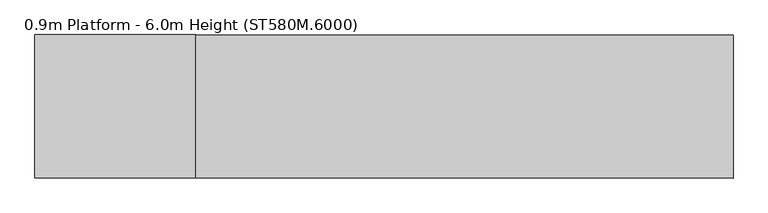
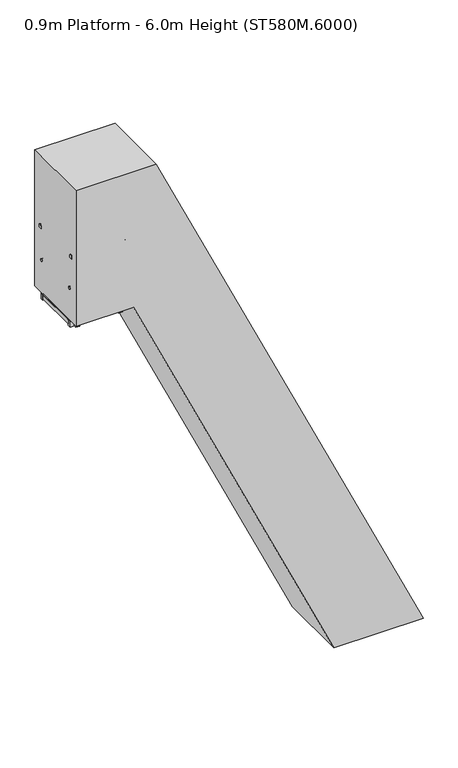
"""IFC4 building model written with IfcOpenShell, lengths in millimetres: proxy geometry, 0.9m Platform - 6.0m Height (ST580M.6000)."""

from ifc_helpers import new_model, si_unit, point, frame, frame_2d, origin, origin_with_axes, place, context, project, spatial, polyline, circle_curve, ellipse_curve, trimmed, segment, composite_curve, outline, extrude, source, transform, mapped, element, save
from ifc_brep_helpers import plane_surface, cylinder_surface, advanced_brep


def proxy_0_9m_platform_6_0m_height_st580m_6000_f54bcfcd(model_context):
    return source(origin(), model_context, "Body", "SolidModel", [
        extrude(outline(polyline([(250.0, 2277.2962564), (170.0, 2314.600864), (170.0, 2424.9386611), (250.0, 2387.6340485), (250.0, 2277.2962564)])), frame((0.0, 298.5, 0.0), z_axis=(0.0, 1.0, 0.0), x_axis=(0.0, 0.0, 1.0)), (0.0, 0.0, 1.0), 6.0),
        extrude(outline(polyline([(250.0, 2277.2962564), (170.0, 2314.600864), (170.0, 2424.9386611), (250.0, 2387.6340485), (250.0, 2277.2962564)])), frame((0.0, -304.5, 0.0), z_axis=(0.0, 1.0, 0.0), x_axis=(0.0, 0.0, 1.0)), (0.0, 0.0, 1.0), 6.0),
        extrude(outline(polyline([(250.0, 2284.4682127), (212.0999991, 2302.141271), (212.0999991, 2304.3480268), (247.0, 2288.0738913), (247.0, 2386.8262156), (212.0999991, 2403.1003533), (212.0999991, 2405.3071091), (250.0, 2387.6340485), (250.0, 2367.2063073), (249.2749538, 2366.8682127), (250.0, 2366.5301182), (250.0, 2346.6063073), (249.2749538, 2346.2682127), (250.0, 2345.9301182), (250.0, 2326.0063073), (249.2749538, 2325.6682127), (250.0, 2325.3301182), (250.0, 2305.4063073), (249.2749538, 2305.0682127), (250.0, 2304.7301182), (250.0, 2284.4682127)])), frame((0.0, -298.5, 0.0), z_axis=(0.0, 1.0, 0.0), x_axis=(0.0, 0.0, 1.0)), (0.0, 0.0, 1.0), 597.0),
        extrude(outline(polyline([(-396.8328319, -304.5), (-434.8328319, -304.5), (-434.8328319, 304.5), (-396.8328319, 304.5), (-396.8328319, -304.5)])), frame((0.0, 0.0, 5901.0), z_axis=(0.0, 0.0, 1.0), x_axis=(1.0, 0.0, 0.0)), (0.0, 0.0, 1.0), 80.0),
        extrude(outline(polyline([(-1256.8328319, -304.5), (-1294.8328319, -304.5), (-1294.8328319, 304.5), (-1256.8328319, 304.5), (-1256.8328319, -304.5)])), frame((0.0, 0.0, 5923.0), z_axis=(0.0, 0.0, 1.0), x_axis=(1.0, 0.0, 0.0)), (0.0, 0.0, 1.0), 58.0),
        extrude(outline(polyline([(-826.8328319, -304.5), (-864.8328319, -304.5), (-864.8328319, 304.5), (-826.8328319, 304.5), (-826.8328319, -304.5)])), frame((0.0, 0.0, 5923.0), z_axis=(0.0, 0.0, 1.0), x_axis=(1.0, 0.0, 0.0)), (0.0, 0.0, 1.0), 58.0),
        extrude(outline(composite_curve([segment(polyline([(353.0, 6478.0), (353.0, 6468.0)]), True, "CONTINUOUS"), segment(trimmed(circle_curve(frame_2d((338.0, 6468.0)), 15.0), [point((353.0, 6468.0))], [point((323.0, 6468.0))], False, "CARTESIAN"), True, "CONTINUOUS"), segment(polyline([(323.0, 6468.0), (323.0, 6478.0)]), True, "CONTINUOUS"), segment(trimmed(circle_curve(frame_2d((338.0, 6478.0)), 15.0), [point((323.0, 6478.0))], [point((353.0, 6478.0))], False, "CARTESIAN"), True, "CONTINUOUS")], self_intersect=False)), frame((-1296.8328319, 0.0, 0.0), z_axis=(1.0, 0.0, 0.0), x_axis=(0.0, 1.0, 0.0)), (0.0, 0.0, 1.0), 885.0),
        extrude(outline(composite_curve([segment(trimmed(circle_curve(frame_2d((-338.0, 6478.0)), 15.0), [point((-353.0, 6478.0))], [point((-323.0, 6478.0))], False, "CARTESIAN"), True, "CONTINUOUS"), segment(polyline([(-323.0, 6478.0), (-323.0, 6468.0)]), True, "CONTINUOUS"), segment(trimmed(circle_curve(frame_2d((-338.0, 6468.0)), 15.0), [point((-323.0, 6468.0))], [point((-353.0, 6468.0))], False, "CARTESIAN"), True, "CONTINUOUS"), segment(polyline([(-353.0, 6468.0), (-353.0, 6478.0)]), True, "CONTINUOUS")], self_intersect=False)), frame((-1296.8328319, 0.0, 0.0), z_axis=(1.0, 0.0, 0.0), x_axis=(0.0, 1.0, 0.0)), (0.0, 0.0, 1.0), 885.0),
        extrude(outline(polyline([(-692.8328319, 353.0), (-532.8328319, 353.0), (-532.8328319, 343.0), (-692.8328319, 343.0), (-692.8328319, 353.0)])), frame((0.0, 0.0, 5901.0), z_axis=(0.0, 0.0, 1.0), x_axis=(1.0, 0.0, 0.0)), (0.0, 0.0, 1.0), 80.0),
        extrude(outline(polyline([(-692.8328319, -343.0), (-532.8328319, -343.0), (-532.8328319, -353.0), (-692.8328319, -353.0), (-692.8328319, -343.0)])), frame((0.0, 0.0, 5901.0), z_axis=(0.0, 0.0, 1.0), x_axis=(1.0, 0.0, 0.0)), (0.0, 0.0, 1.0), 80.0),
        extrude(outline(polyline([(-583.8328319, 391.0), (-583.8328319, 353.0), (-641.8328319, 353.0), (-641.8328319, 391.0), (-583.8328319, 391.0)])), frame((0.0, 0.0, 5901.0), z_axis=(0.0, 0.0, 1.0), x_axis=(1.0, 0.0, 0.0)), (0.0, 0.0, 1.0), 1029.0),
        extrude(outline(polyline([(-583.8328319, -353.0), (-583.8328319, -391.0), (-641.8328319, -391.0), (-641.8328319, -353.0), (-583.8328319, -353.0)])), frame((0.0, 0.0, 5901.0), z_axis=(0.0, 0.0, 1.0), x_axis=(1.0, 0.0, 0.0)), (0.0, 0.0, 1.0), 1029.0),
        advanced_brep(
        [(-556.8328319, 372.0, 6942.0), (-556.8328319, 372.0, 6987.0), (-544.1016939, 372.0, 6942.0), (-515.4337404, 372.0, 6987.0), (-513.5569732, 372.0, 6876.4977609), (-472.773248, 372.0, 6895.5158512)],
        [
            (0, 1, circle_curve(frame((-556.8328319, 372.0, 6964.5), z_axis=(-1.0, 0.0, 0.0), x_axis=(0.0, 0.0, 1.0)), 22.5)),
            (1, 0, circle_curve(frame((-556.8328319, 372.0, 6964.5), z_axis=(-1.0, 0.0, 0.0), x_axis=(0.0, 0.0, 1.0)), 22.5)),
            (0, 2),
            (2, 3, ellipse_curve(frame((-529.7677171, 372.0, 6964.5), z_axis=(-0.8433932143582917, 0.0, 0.5372968322765254), x_axis=(-0.5372968322765252, 0.0, -0.8433932143582918)), 26.6779476, 22.5)),
            (3, 1),
            (3, 2, ellipse_curve(frame((-529.7677171, 372.0, 6964.5), z_axis=(-0.8433932143582917, 0.0, 0.5372968322765254), x_axis=(-0.5372968322765252, 0.0, -0.8433932143582918)), 26.6779476, 22.5)),
            (4, 5, circle_curve(frame((-493.1651106, 372.0, 6886.0068061), z_axis=(0.4226242280512229, 0.0, -0.9063050048764533), x_axis=(0.9063050048764533, 0.0, 0.4226242280512229)), 22.5)),
            (5, 4, circle_curve(frame((-493.1651106, 372.0, 6886.0068061), z_axis=(0.4226242280512229, 0.0, -0.9063050048764533), x_axis=(0.9063050048764533, 0.0, 0.4226242280512229)), 22.5)),
            (2, 4),
            (5, 3),
        ],
        [
            plane_surface(frame((-556.8328319, 0.0, 6987.0), z_axis=(-1.0, 0.0, 0.0), x_axis=(0.0, -1.0, 0.0))),
            cylinder_surface(frame((-556.8328319, 372.0, 6964.5), z_axis=(-1.0, 0.0, 0.0), x_axis=(0.0, 0.0, 1.0)), 22.5),
            plane_surface(frame((-472.773248, 0.0, 6895.5158512), z_axis=(0.4226242280512229, 0.0, -0.9063050048764533), x_axis=(0.0, -1.0, 0.0))),
            cylinder_surface(frame((-535.825603, 372.0, 6977.4909549), z_axis=(-0.4226242280512229, 0.0, 0.9063050048764533), x_axis=(0.9063050048764533, 0.0, 0.4226242280512229)), 22.5),
        ],
        [
            (0, [[1, 2]]),
            (1, [[-1, 3, 4, 5]]),
            (1, [[-2, -5, 6, -3]]),
            (2, [[7, 8]]),
            (3, [[-4, 9, -8, 10]]),
            (3, [[-6, -10, -7, -9]]),
        ],
    ),
        advanced_brep(
        [(-556.8328319, -372.0, 6942.0), (-556.8328319, -372.0, 6987.0), (-544.1016939, -372.0, 6942.0), (-515.4337404, -372.0, 6987.0), (-513.5569732, -372.0, 6876.4977609), (-472.773248, -372.0, 6895.5158512)],
        [
            (0, 1, circle_curve(frame((-556.8328319, -372.0, 6964.5), z_axis=(-1.0, 0.0, 0.0), x_axis=(0.0, 0.0, 1.0)), 22.5)),
            (1, 0, circle_curve(frame((-556.8328319, -372.0, 6964.5), z_axis=(-1.0, 0.0, 0.0), x_axis=(0.0, 0.0, 1.0)), 22.5)),
            (0, 2),
            (2, 3, ellipse_curve(frame((-529.7677171, -372.0, 6964.5), z_axis=(-0.8433932143582917, 0.0, 0.5372968322765254), x_axis=(-0.5372968322765252, 0.0, -0.8433932143582918)), 26.6779476, 22.5)),
            (3, 1),
            (3, 2, ellipse_curve(frame((-529.7677171, -372.0, 6964.5), z_axis=(-0.8433932143582917, 0.0, 0.5372968322765254), x_axis=(-0.5372968322765252, 0.0, -0.8433932143582918)), 26.6779476, 22.5)),
            (4, 5, circle_curve(frame((-493.1651106, -372.0, 6886.0068061), z_axis=(0.4226242280512229, 0.0, -0.9063050048764533), x_axis=(0.9063050048764533, 0.0, 0.4226242280512229)), 22.5)),
            (5, 4, circle_curve(frame((-493.1651106, -372.0, 6886.0068061), z_axis=(0.4226242280512229, 0.0, -0.9063050048764533), x_axis=(0.9063050048764533, 0.0, 0.4226242280512229)), 22.5)),
            (2, 4),
            (5, 3),
        ],
        [
            plane_surface(frame((-556.8328319, 0.0, 6987.0), z_axis=(-1.0, 0.0, 0.0), x_axis=(0.0, -1.0, 0.0))),
            cylinder_surface(frame((-556.8328319, -372.0, 6964.5), z_axis=(-1.0, 0.0, 0.0), x_axis=(0.0, 0.0, 1.0)), 22.5),
            plane_surface(frame((-472.773248, 0.0, 6895.5158512), z_axis=(0.4226242280512229, 0.0, -0.9063050048764533), x_axis=(0.0, -1.0, 0.0))),
            cylinder_surface(frame((-535.825603, -372.0, 6977.4909549), z_axis=(-0.4226242280512229, 0.0, 0.9063050048764533), x_axis=(0.9063050048764533, 0.0, 0.4226242280512229)), 22.5),
        ],
        [
            (0, [[1, 2]]),
            (1, [[-1, 3, 4, 5]]),
            (1, [[-2, -5, 6, -3]]),
            (2, [[7, 8]]),
            (3, [[-4, 9, -8, 10]]),
            (3, [[-6, -10, -7, -9]]),
        ],
    ),
        extrude(outline(polyline([(-1258.8328319, -304.5), (-1296.8328319, -304.5), (-1296.8328319, 304.5), (-1258.8328319, 304.5), (-1258.8328319, -304.5)])), frame((0.0, 0.0, 5923.0), z_axis=(0.0, 0.0, 1.0), x_axis=(1.0, 0.0, 0.0)), (0.0, 0.0, 1.0), 58.0),
        extrude(outline(composite_curve([segment(polyline([(349.5, 6930.0), (349.5, 6964.5)]), True, "CONTINUOUS"), segment(trimmed(circle_curve(frame_2d((372.0, 6964.5)), 22.5), [point((349.5, 6964.5))], [point((394.5, 6964.5))], False, "CARTESIAN"), True, "CONTINUOUS"), segment(polyline([(394.5, 6964.5), (394.5, 6930.0), (349.5, 6930.0)]), True, "CONTINUOUS")], self_intersect=False)), frame((-1296.8328319, 0.0, 0.0), z_axis=(1.0, 0.0, 0.0), x_axis=(0.0, 1.0, 0.0)), (0.0, 0.0, 1.0), 740.0),
        extrude(outline(composite_curve([segment(polyline([(-349.5, 6930.0), (-394.5, 6930.0), (-394.5, 6964.5)]), True, "CONTINUOUS"), segment(trimmed(circle_curve(frame_2d((-372.0, 6964.5)), 22.5), [point((-394.5, 6964.5))], [point((-349.5, 6964.5))], False, "CARTESIAN"), True, "CONTINUOUS"), segment(polyline([(-349.5, 6964.5), (-349.5, 6930.0)]), True, "CONTINUOUS")], self_intersect=False)), frame((-1296.8328319, 0.0, 0.0), z_axis=(1.0, 0.0, 0.0), x_axis=(0.0, 1.0, 0.0)), (0.0, 0.0, 1.0), 740.0),
        extrude(outline(polyline([(-1132.8328319, 353.0), (-1132.8328319, 343.0), (-1292.8328319, 343.0), (-1292.8328319, 353.0), (-1132.8328319, 353.0)])), frame((0.0, 0.0, 5901.0), z_axis=(0.0, 0.0, 1.0), x_axis=(1.0, 0.0, 0.0)), (0.0, 0.0, 1.0), 80.0),
        extrude(outline(polyline([(-1132.8328319, -343.0), (-1132.8328319, -353.0), (-1292.8328319, -353.0), (-1292.8328319, -343.0), (-1132.8328319, -343.0)])), frame((0.0, 0.0, 5901.0), z_axis=(0.0, 0.0, 1.0), x_axis=(1.0, 0.0, 0.0)), (0.0, 0.0, 1.0), 80.0),
        extrude(outline(polyline([(-1183.8328319, 391.0), (-1183.8328319, 353.0), (-1241.8328319, 353.0), (-1241.8328319, 391.0), (-1183.8328319, 391.0)])), frame((0.0, 0.0, 5901.0), z_axis=(0.0, 0.0, 1.0), x_axis=(1.0, 0.0, 0.0)), (0.0, 0.0, 1.0), 1029.0),
        extrude(outline(polyline([(-1183.8328319, -353.0), (-1183.8328319, -391.0), (-1241.8328319, -391.0), (-1241.8328319, -353.0), (-1183.8328319, -353.0)])), frame((0.0, 0.0, 5901.0), z_axis=(0.0, 0.0, 1.0), x_axis=(1.0, 0.0, 0.0)), (0.0, 0.0, 1.0), 1029.0),
        extrude(outline(polyline([(-396.8328319, 343.0), (-396.8328319, 304.5), (-1296.8328319, 304.5), (-1296.8328319, 343.0), (-396.8328319, 343.0)])), frame((0.0, 0.0, 5901.0), z_axis=(0.0, 0.0, 1.0), x_axis=(1.0, 0.0, 0.0)), (0.0, 0.0, 1.0), 80.0),
        extrude(outline(polyline([(-396.8328319, -304.5), (-396.8328319, -343.0), (-1296.8328319, -343.0), (-1296.8328319, -304.5), (-396.8328319, -304.5)])), frame((0.0, 0.0, 5901.0), z_axis=(0.0, 0.0, 1.0), x_axis=(1.0, 0.0, 0.0)), (0.0, 0.0, 1.0), 80.0),
        extrude(outline(polyline([(-399.8328319, 297.5), (-399.8328319, -297.5), (-1293.8328319, -297.5), (-1293.8328319, 297.5), (-399.8328319, 297.5)])), frame((0.0, 0.0, 5984.0), z_axis=(0.0, 0.0, 1.0), x_axis=(1.0, 0.0, 0.0)), (0.0, 0.0, 1.0), 13.0),
        extrude(outline(polyline([(6000.0, -414.8328319), (5997.0, -414.8328319), (5997.0, -399.8328319), (5984.0, -399.8328319), (5984.0, -414.8328319), (5981.0, -414.8328319), (5981.0, -396.8328319), (6000.0, -396.8328319), (6000.0, -414.8328319)])), frame((0.0, -297.5, 0.0), z_axis=(0.0, 1.0, 0.0), x_axis=(0.0, 0.0, 1.0)), (0.0, 0.0, 1.0), 595.0),
        extrude(outline(polyline([(6000.0, -1278.8328319), (6000.0, -1296.8328319), (5981.0, -1296.8328319), (5981.0, -1278.8328319), (5984.0, -1278.8328319), (5984.0, -1293.8328319), (5997.0, -1293.8328319), (5997.0, -1278.8328319), (6000.0, -1278.8328319)])), frame((0.0, -297.5, 0.0), z_axis=(0.0, 1.0, 0.0), x_axis=(0.0, 0.0, 1.0)), (0.0, 0.0, 1.0), 595.0),
        extrude(outline(polyline([(5981.0, -287.140843), (5981.0, -476.8328319), (5901.0, -476.8328319), (5901.0, -249.8362303), (5981.0, -287.140843)])), frame((0.0, 344.0, 0.0), z_axis=(0.0, 1.0, 0.0), x_axis=(0.0, 0.0, 1.0)), (0.0, 0.0, 1.0), 6.0),
        extrude(outline(polyline([(5981.0, -284.7751404), (5981.0, -476.8328319), (5901.0, -476.8328319), (5901.0, -247.4705278), (5981.0, -284.7751404)])), frame((0.0, -350.0, 0.0), z_axis=(0.0, 1.0, 0.0), x_axis=(0.0, 0.0, 1.0)), (0.0, 0.0, 1.0), 6.0),
        extrude(outline(polyline([(-304.5, 80.0), (-304.5, 0.0), (-343.0, 0.0), (-343.0, 80.0), (-304.5, 80.0)])), frame((2413.1428835, 0.0, 6.0), z_axis=(-0.4226182617406976, 0.0, 0.9063077870366508), x_axis=(0.0, -1.0, 0.0)), (0.0, 0.0, 1.0), 6613.6472463),
        extrude(outline(polyline([(343.0, 80.0), (343.0, 0.0), (304.5, 0.0), (304.5, 80.0), (343.0, 80.0)])), frame((2413.1428835, 0.0, 6.0), z_axis=(-0.4226182617406976, 0.0, 0.9063077870366508), x_axis=(0.0, -1.0, 0.0)), (0.0, 0.0, 1.0), 6613.6472463),
        extrude(outline(polyline([(141.9461681, 2438.0203778), (108.1367071, 2365.5157548), (6.0, 2413.1428835), (6.0, 2501.413117), (141.9461681, 2438.0203778)])), frame((0.0, 344.0, 0.0), z_axis=(0.0, 1.0, 0.0), x_axis=(0.0, 0.0, 1.0)), (0.0, 0.0, 1.0), 6.0),
        extrude(outline(polyline([(141.9461681, 2438.0203778), (108.1367071, 2365.5157548), (6.0, 2413.1428835), (6.0, 2501.413117), (141.9461681, 2438.0203778)])), frame((0.0, -350.0, 0.0), z_axis=(0.0, 1.0, 0.0), x_axis=(0.0, 0.0, 1.0)), (0.0, 0.0, 1.0), 6.0),
        extrude(outline(polyline([(2507.313117, 358.0), (2507.313117, -358.0), (2407.313117, -358.0), (2407.313117, 358.0), (2507.313117, 358.0)])), origin_with_axes(), (0.0, 0.0, 1.0), 6.0),
        extrude(outline(polyline([(6000.0, -493.6655493), (0.0, 2304.2124419), (0.0, 3552.4223427), (8000.0, -178.0816456), (8000.0, -1296.8328319), (6000.0, -1296.8328319), (6000.0, -493.6655493)])), frame((0.0, -498.0, 0.0), z_axis=(0.0, 1.0, 0.0), x_axis=(0.0, 0.0, 1.0)), (0.0, 0.0, 1.0), 996.0),
    ])


if __name__ == "__main__":
    model = new_model("IFC4")
    model_context = context("Model", 3, world=origin())
    ifc_project = project(units=[si_unit("LENGTHUNIT", "METRE", prefix="MILLI")], contexts=[model_context])
    site = spatial("IfcSite", under=ifc_project)
    building = spatial("IfcBuilding", under=site)
    placement = place(None, origin())
    proxy_0_9m_platform_6_0m_height_st580m_6000_shape = proxy_0_9m_platform_6_0m_height_st580m_6000_f54bcfcd(model_context)
    element("IfcBuildingElementProxy", 1, Name="0.9m Platform - 6.0m Height (ST580M.6000)", ObjectType="0.9m Platform - 6.0m Height (ST580M.6000)", at=placement, inside=building, context=model_context, shape_type="MappedRepresentation", body=[
        mapped(proxy_0_9m_platform_6_0m_height_st580m_6000_shape, transform((0.0, 0.0, 0.0), x_axis=(1.0, 0.0, 0.0), y_axis=(0.0, 1.0, 0.0), z_axis=(0.0, 0.0, 1.0))),
    ])
    save(model, "model.ifc")
